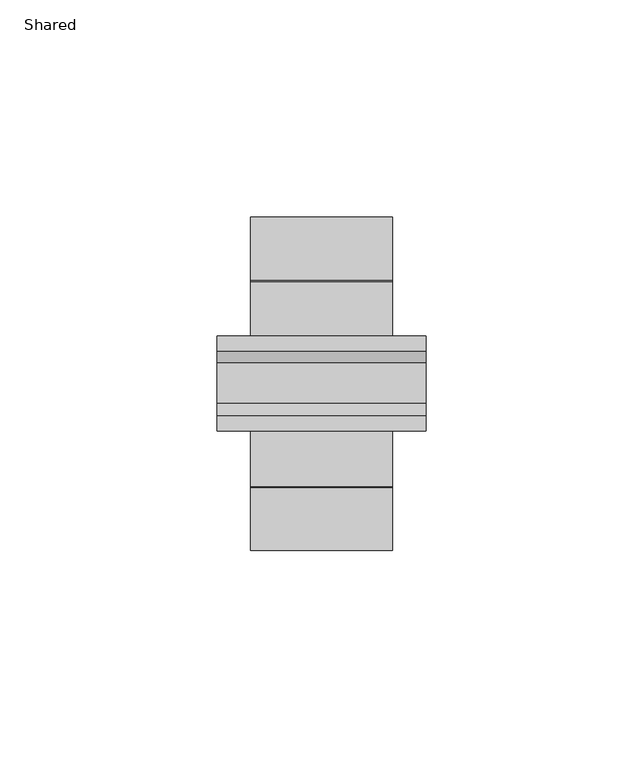
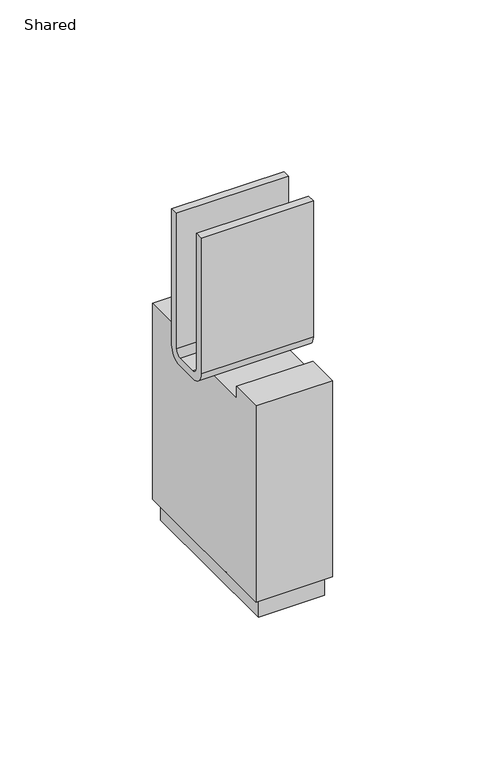
"""IFC4 building model written with IfcOpenShell, lengths in millimetres: furniture geometry, Shared."""

from ifc_helpers import new_model, si_unit, point, frame, frame_2d, origin, place, context, project, spatial, polyline, circle_curve, ellipse_curve, trimmed, segment, composite_curve, outline, extrude, source, transform, mapped, element, save
from ifc_brep_helpers import plane_surface, cylinder_surface, revolved_surface, advanced_brep


def shared_758bbafa(model_context):
    return source(origin(), model_context, "Body", "SolidModel", [
        extrude(outline(polyline([(-62.5867095, 100.1268008), (-62.4217122, 94.7435901), (-15.1802712, 94.7435901), (-14.8277025, 100.1268008), (-0.39116, 100.1268008), (-0.39116, 11.2976854), (-77.0813779, 11.2976854), (-77.0813779, 100.1268008), (-62.5867095, 100.1268008)])), frame((-16.3370524, 0.0, 0.0), z_axis=(1.0, 0.0, 0.0), x_axis=(0.0, 1.0, 0.0)), (0.0, 0.0, 1.0), 32.6821803),
        extrude(outline(polyline([(14.1861276, -74.919841), (-14.1780522, -74.919841), (-14.1780522, -2.54762), (14.1861276, -2.54762), (14.1861276, -74.919841)])), frame((0.0, 0.0, 2.3368), z_axis=(0.0, 0.0, 1.0), x_axis=(1.0, 0.0, 0.0)), (0.0, 0.0, 1.0), 8.9608855),
        advanced_brep(
        [(0.0, -28.8828191, 5.8805735), (0.0, -48.5871888, 5.8805735), (0.0, -38.7350039, 5.8805735), (0.0, -28.2949072, 5.2926616), (0.0, -49.1751007, 5.2926616), (0.0, -28.2949072, 3.1363919), (0.0, -49.1751007, 3.1363919), (0.0, -31.277792, 0.0), (0.0, -46.1922159, 0.0), (0.0, -38.7350039, 0.0)],
        [
            (0, 1, circle_curve(frame((0.0, -38.7350039, 5.8805735), z_axis=(0.0, 0.0, 1.0), x_axis=(0.0, -1.0, 0.0)), 9.8521848)),
            (1, 2),
            (2, 0),
            (1, 0, circle_curve(frame((0.0, -38.7350039, 5.8805735), z_axis=(0.0, 0.0, 1.0), x_axis=(0.0, -1.0, 0.0)), 9.8521848)),
            (3, 4, circle_curve(frame((0.0, -38.7350039, 5.2926616), z_axis=(0.0, 0.0, 1.0), x_axis=(0.0, -1.0, 0.0)), 10.4400968)),
            (4, 1),
            (0, 3),
            (4, 3, circle_curve(frame((0.0, -38.7350039, 5.2926616), z_axis=(0.0, 0.0, 1.0), x_axis=(0.0, -1.0, 0.0)), 10.4400968)),
            (5, 6, circle_curve(frame((0.0, -38.7350039, 3.1363919), z_axis=(0.0, 0.0, 1.0), x_axis=(0.0, -1.0, 0.0)), 10.4400968)),
            (6, 4),
            (3, 5),
            (6, 5, circle_curve(frame((0.0, -38.7350039, 3.1363919), z_axis=(0.0, 0.0, 1.0), x_axis=(0.0, -1.0, 0.0)), 10.4400968)),
            (7, 8, circle_curve(frame((0.0, -38.7350039, 0.0), z_axis=(0.0, 0.0, 1.0), x_axis=(0.0, -1.0, 0.0)), 7.457212)),
            (8, 6, circle_curve(frame((0.0, -46.0347589, 3.1363919), z_axis=(-1.0, 0.0, 0.0), x_axis=(0.0, -1.0, 0.0)), 3.1403418)),
            (5, 7, circle_curve(frame((0.0, -31.435249, 3.1363919), z_axis=(-1.0, 0.0, 0.0), x_axis=(0.0, 1.0, 0.0)), 3.1403418)),
            (8, 7, circle_curve(frame((0.0, -38.7350039, 0.0), z_axis=(0.0, 0.0, 1.0), x_axis=(0.0, -1.0, 0.0)), 7.457212)),
            (9, 8),
            (7, 9),
        ],
        [
            plane_surface(frame((0.0, -38.7350039, 5.8805735), z_axis=(0.0, 0.0, 1.0), x_axis=(0.0, -1.0, 0.0))),
            revolved_surface(polyline([(0.0, -48.5871888, 5.8805735), (0.0, -49.1751007, 5.2926616)]), (0.0, -38.7350039, 0.0), (0.0, 0.0, -1.0)),
            cylinder_surface(frame((0.0, -38.7350039, 0.0), z_axis=(0.0, 0.0, -1.0), x_axis=(0.0, -1.0, 0.0)), 10.4400968),
            revolved_surface(trimmed(ellipse_curve(frame((0.0, -46.0347589, 3.1363919), z_axis=(1.0, 0.0, 0.0), x_axis=(0.0, -1.0, 0.0)), 3.1403418, 3.1403418), [point((0.0, -49.1751007, 3.1363919))], [point((0.0, -46.1922159, 0.0))], True, "CARTESIAN"), (0.0, -38.7350039, 0.0), (0.0, 0.0, -1.0)),
            plane_surface(frame((0.0, -38.7350039, 0.0), z_axis=(0.0, 0.0, -1.0), x_axis=(0.0, -1.0, 0.0))),
        ],
        [
            (0, [[1, 2, 3]]),
            (0, [[4, -3, -2]]),
            (1, [[5, 6, -1, 7]]),
            (1, [[8, -7, -4, -6]]),
            (2, [[9, 10, -5, 11]]),
            (2, [[12, -11, -8, -10]]),
            (3, [[13, 14, -9, 15]]),
            (3, [[16, -15, -12, -14]]),
            (4, [[17, -13, 18]]),
            (4, [[-18, -16, -17]]),
        ],
    ),
        extrude(outline(composite_curve([segment(polyline([(-31.2419997, 162.1789998), (-27.8130007, 162.1789998), (-27.8066762, 100.6737242)]), True, "CONTINUOUS"), segment(trimmed(circle_curve(frame_2d((-33.7536528, 100.8219009)), 5.9488223), [point((-27.8066762, 100.6737242))], [point((-33.7557067, 94.873079))], False, "CARTESIAN"), True, "CONTINUOUS"), segment(polyline([(-33.7557067, 94.873079), (-43.7271502, 94.8765217)]), True, "CONTINUOUS"), segment(trimmed(circle_curve(frame_2d((-43.7251036, 100.804209)), 5.9276876), [point((-43.7271502, 94.8765217))], [point((-49.6513434, 100.6732064))], False, "CARTESIAN"), True, "CONTINUOUS"), segment(polyline([(-49.6513434, 100.6732064), (-49.6569981, 162.1789998), (-46.227314, 162.1789998), (-46.2216745, 100.8870832)]), True, "CONTINUOUS"), segment(trimmed(circle_curve(frame_2d((-43.18395, 101.3745888)), 3.0765942), [point((-46.2216745, 100.8870832))], [point((-43.1799997, 98.2979971))], True, "CARTESIAN"), True, "CONTINUOUS"), segment(polyline([(-43.1799997, 98.2979971), (-33.9050276, 98.3099059)]), True, "CONTINUOUS"), segment(trimmed(circle_curve(frame_2d((-33.8219415, 100.8827905)), 2.5742258), [point((-33.9050276, 98.3099059))], [point((-31.2477157, 100.8825505))], True, "CARTESIAN"), True, "CONTINUOUS"), segment(polyline([(-31.2477157, 100.8825505), (-31.2419997, 162.1789998)]), True, "CONTINUOUS")], self_intersect=False)), frame((-24.0752542, 0.0, 0.0), z_axis=(1.0, 0.0, 0.0), x_axis=(0.0, 1.0, 0.0)), (0.0, 0.0, 1.0), 48.0503747),
    ])


if __name__ == "__main__":
    model = new_model("IFC4")
    model_context = context("Model", 3, world=origin())
    ifc_project = project(units=[si_unit("LENGTHUNIT", "METRE", prefix="MILLI")], contexts=[model_context])
    site = spatial("IfcSite", under=ifc_project)
    building = spatial("IfcBuilding", under=site)
    placement = place(None, origin())
    shared_shape = shared_758bbafa(model_context)
    element("IfcFurniture", 1, ObjectType="Shared", at=placement, inside=building, context=model_context, shape_type="MappedRepresentation", body=[
        mapped(shared_shape, transform((0.0, 0.0, 0.0), x_axis=(1.0, 0.0, 0.0), y_axis=(0.0, 1.0, 0.0), z_axis=(0.0, 0.0, 1.0))),
    ])
    save(model, "model.ifc")
